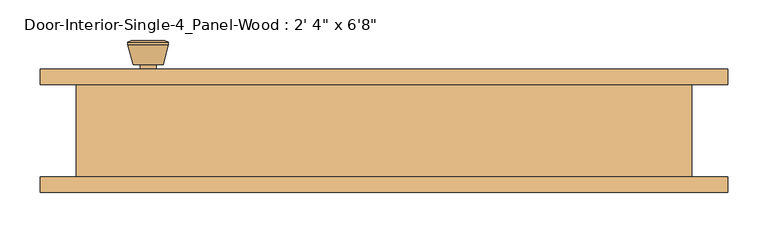
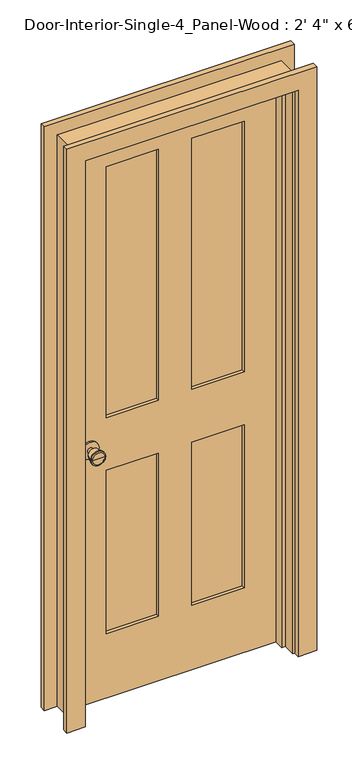
"""IFC4 building model written with IfcOpenShell, lengths in millimetres: door geometry."""

from ifc_helpers import new_model, si_unit, point, frame, frame_2d, origin, place, context, project, spatial, polyline, circle_curve, trimmed, segment, composite_curve, outline, extrude, faceted_brep, source, transform, mapped, element, save
from ifc_brep_helpers import plane_surface, cylinder_surface, revolved_surface, advanced_brep


def door_b1d1bbcd(model_context):
    return source(origin(), model_context, "Body", "SolidModel", [
        advanced_brep(
        [(-292.1, 13.05, 914.4), (-282.1, 13.05, 914.4), (-302.1, 13.05, 914.4), (-271.6241324, -35.95, 914.4), (-292.1, -35.95, 914.4), (-312.5758676, -35.95, 914.4), (-267.1, -34.1221319, 914.4), (-317.1, -34.1221319, 914.4), (-267.1, -30.6584537, 914.4), (-317.1, -30.6584537, 914.4), (-273.463764, -5.95, 914.4), (-310.736236, -5.95, 914.4), (-282.1, -5.95, 914.4), (-302.1, -5.95, 914.4)],
        [
            (0, 1),
            (1, 2, circle_curve(frame((-292.1, 13.05, 914.4), z_axis=(0.0, 1.0, 0.0), x_axis=(-1.0, 0.0, 0.0)), 10.0)),
            (2, 0),
            (2, 1, circle_curve(frame((-292.1, 13.05, 914.4), z_axis=(0.0, 1.0, 0.0), x_axis=(-1.0, 0.0, 0.0)), 10.0)),
            (3, 4),
            (4, 5),
            (5, 3, circle_curve(frame((-292.1, -35.95, 914.4), z_axis=(0.0, -1.0, 0.0), x_axis=(-1.0, 0.0, 0.0)), 20.4758676)),
            (3, 5, circle_curve(frame((-292.1, -35.95, 914.4), z_axis=(0.0, -1.0, 0.0), x_axis=(-1.0, 0.0, 0.0)), 20.4758676)),
            (6, 3),
            (5, 7),
            (7, 6, circle_curve(frame((-292.1, -34.1221319, 914.4), z_axis=(0.0, -1.0, 0.0), x_axis=(-1.0, 0.0, 0.0)), 25.0)),
            (6, 7, circle_curve(frame((-292.1, -34.1221319, 914.4), z_axis=(0.0, -1.0, 0.0), x_axis=(-1.0, 0.0, 0.0)), 25.0)),
            (8, 6),
            (7, 9),
            (9, 8, circle_curve(frame((-292.1, -30.6584537, 914.4), z_axis=(0.0, -1.0, 0.0), x_axis=(-1.0, 0.0, 0.0)), 25.0)),
            (8, 9, circle_curve(frame((-292.1, -30.6584537, 914.4), z_axis=(0.0, -1.0, 0.0), x_axis=(-1.0, 0.0, 0.0)), 25.0)),
            (10, 8),
            (9, 11),
            (11, 10, circle_curve(frame((-292.1, -5.95, 914.4), z_axis=(0.0, -1.0, 0.0), x_axis=(-1.0, 0.0, 0.0)), 18.636236)),
            (10, 11, circle_curve(frame((-292.1, -5.95, 914.4), z_axis=(0.0, -1.0, 0.0), x_axis=(-1.0, 0.0, 0.0)), 18.636236)),
            (12, 10),
            (11, 13),
            (13, 12, circle_curve(frame((-292.1, -5.95, 914.4), z_axis=(0.0, -1.0, 0.0), x_axis=(-1.0, 0.0, 0.0)), 10.0)),
            (12, 13, circle_curve(frame((-292.1, -5.95, 914.4), z_axis=(0.0, -1.0, 0.0), x_axis=(-1.0, 0.0, 0.0)), 10.0)),
            (1, 12),
            (13, 2),
        ],
        [
            plane_surface(frame((-292.1, 13.05, 914.4), z_axis=(0.0, 1.0, 0.0), x_axis=(-1.0, 0.0, 0.0))),
            plane_surface(frame((-292.1, -35.95, 914.4), z_axis=(0.0, -1.0, 0.0), x_axis=(-1.0, 0.0, 0.0))),
            revolved_surface(polyline([(-312.5758676, -35.95, 914.4), (-317.1, -34.1221319, 914.4)]), (-292.1, 13.05, 914.4), (0.0, 1.0, 0.0)),
            cylinder_surface(frame((-292.1, 13.05, 914.4), z_axis=(0.0, 1.0, 0.0), x_axis=(-1.0, 0.0, 0.0)), 25.0),
            revolved_surface(polyline([(-317.1, -30.6584537, 914.4), (-310.736236, -5.95, 914.4)]), (-292.1, 13.05, 914.4), (0.0, 1.0, 0.0)),
            plane_surface(frame((-292.1, -5.95, 914.4), z_axis=(0.0, 1.0, 0.0), x_axis=(-1.0, 0.0, 0.0))),
            cylinder_surface(frame((-292.1, 13.05, 914.4), z_axis=(0.0, 1.0, 0.0), x_axis=(-1.0, 0.0, 0.0)), 10.0),
        ],
        [
            (0, [[1, 2, 3]]),
            (0, [[-3, 4, -1]]),
            (1, [[5, 6, 7]]),
            (1, [[-6, -5, 8]]),
            (2, [[9, -7, 10, 11]]),
            (2, [[-10, -8, -9, 12]]),
            (3, [[13, -11, 14, 15]]),
            (3, [[-14, -12, -13, 16]]),
            (4, [[17, -15, 18, 19]]),
            (4, [[-18, -16, -17, 20]]),
            (5, [[21, -19, 22, 23]]),
            (5, [[-22, -20, -21, 24]]),
            (6, [[25, -23, 26, -2]]),
            (6, [[-26, -24, -25, -4]]),
        ],
    ),
        extrude(outline(composite_curve([segment(trimmed(circle_curve(frame_2d((914.4, -292.1)), 30.0), [point((914.4, -322.1))], [point((914.4, -262.1))], False, "CARTESIAN"), True, "CONTINUOUS"), segment(trimmed(circle_curve(frame_2d((914.4, -292.1)), 30.0), [point((914.4, -262.1))], [point((914.4, -322.1))], False, "CARTESIAN"), True, "CONTINUOUS")], self_intersect=False)), frame((0.0, 13.05, 0.0), z_axis=(0.0, 1.0, 0.0), x_axis=(0.0, 0.0, 1.0)), (0.0, 0.0, 1.0), 6.0),
        advanced_brep(
        [(-292.1, 59.975, 914.4), (-302.1, 59.975, 914.4), (-282.1, 59.975, 914.4), (-271.6241324, 108.975, 914.4), (-312.5758676, 108.975, 914.4), (-292.1, 108.975, 914.4), (-267.1, 107.1471319, 914.4), (-317.1, 107.1471319, 914.4), (-267.1, 103.6834537, 914.4), (-317.1, 103.6834537, 914.4), (-273.463764, 78.975, 914.4), (-310.736236, 78.975, 914.4), (-282.1, 78.975, 914.4), (-302.1, 78.975, 914.4)],
        [
            (0, 1),
            (1, 2, circle_curve(frame((-292.1, 59.975, 914.4), z_axis=(0.0, -1.0, 0.0), x_axis=(-1.0, 0.0, 0.0)), 10.0)),
            (2, 0),
            (2, 1, circle_curve(frame((-292.1, 59.975, 914.4), z_axis=(0.0, -1.0, 0.0), x_axis=(-1.0, 0.0, 0.0)), 10.0)),
            (3, 4, circle_curve(frame((-292.1, 108.975, 914.4), z_axis=(0.0, 1.0, 0.0), x_axis=(-1.0, 0.0, 0.0)), 20.4758676)),
            (4, 5),
            (5, 3),
            (4, 3, circle_curve(frame((-292.1, 108.975, 914.4), z_axis=(0.0, 1.0, 0.0), x_axis=(-1.0, 0.0, 0.0)), 20.4758676)),
            (6, 7, circle_curve(frame((-292.1, 107.1471319, 914.4), z_axis=(0.0, 1.0, 0.0), x_axis=(-1.0, 0.0, 0.0)), 25.0)),
            (7, 4),
            (3, 6),
            (7, 6, circle_curve(frame((-292.1, 107.1471319, 914.4), z_axis=(0.0, 1.0, 0.0), x_axis=(-1.0, 0.0, 0.0)), 25.0)),
            (8, 9, circle_curve(frame((-292.1, 103.6834537, 914.4), z_axis=(0.0, 1.0, 0.0), x_axis=(-1.0, 0.0, 0.0)), 25.0)),
            (9, 7),
            (6, 8),
            (9, 8, circle_curve(frame((-292.1, 103.6834537, 914.4), z_axis=(0.0, 1.0, 0.0), x_axis=(-1.0, 0.0, 0.0)), 25.0)),
            (10, 11, circle_curve(frame((-292.1, 78.975, 914.4), z_axis=(0.0, 1.0, 0.0), x_axis=(-1.0, 0.0, 0.0)), 18.636236)),
            (11, 9),
            (8, 10),
            (11, 10, circle_curve(frame((-292.1, 78.975, 914.4), z_axis=(0.0, 1.0, 0.0), x_axis=(-1.0, 0.0, 0.0)), 18.636236)),
            (12, 13, circle_curve(frame((-292.1, 78.975, 914.4), z_axis=(0.0, 1.0, 0.0), x_axis=(-1.0, 0.0, 0.0)), 10.0)),
            (13, 11),
            (10, 12),
            (13, 12, circle_curve(frame((-292.1, 78.975, 914.4), z_axis=(0.0, 1.0, 0.0), x_axis=(-1.0, 0.0, 0.0)), 10.0)),
            (1, 13),
            (12, 2),
        ],
        [
            plane_surface(frame((-292.1, 59.975, 914.4), z_axis=(0.0, -1.0, 0.0), x_axis=(-1.0, 0.0, 0.0))),
            plane_surface(frame((-292.1, 108.975, 914.4), z_axis=(0.0, 1.0, 0.0), x_axis=(-1.0, 0.0, 0.0))),
            revolved_surface(polyline([(-312.5758676, 108.975, 914.4), (-317.1, 107.1471319, 914.4)]), (-292.1, 59.975, 914.4), (0.0, -1.0, 0.0)),
            cylinder_surface(frame((-292.1, 59.975, 914.4), z_axis=(0.0, -1.0, 0.0), x_axis=(-1.0, 0.0, 0.0)), 25.0),
            revolved_surface(polyline([(-317.1, 103.6834537, 914.4), (-310.736236, 78.975, 914.4)]), (-292.1, 59.975, 914.4), (0.0, -1.0, 0.0)),
            plane_surface(frame((-292.1, 78.975, 914.4), z_axis=(0.0, -1.0, 0.0), x_axis=(-1.0, 0.0, 0.0))),
            cylinder_surface(frame((-292.1, 59.975, 914.4), z_axis=(0.0, -1.0, 0.0), x_axis=(-1.0, 0.0, 0.0)), 10.0),
        ],
        [
            (0, [[1, 2, 3]]),
            (0, [[-3, 4, -1]]),
            (1, [[5, 6, 7]]),
            (1, [[8, -7, -6]]),
            (2, [[9, 10, -5, 11]]),
            (2, [[12, -11, -8, -10]]),
            (3, [[13, 14, -9, 15]]),
            (3, [[16, -15, -12, -14]]),
            (4, [[17, 18, -13, 19]]),
            (4, [[20, -19, -16, -18]]),
            (5, [[21, 22, -17, 23]]),
            (5, [[24, -23, -20, -22]]),
            (6, [[-2, 25, -21, 26]]),
            (6, [[-4, -26, -24, -25]]),
        ],
    ),
        extrude(outline(composite_curve([segment(trimmed(circle_curve(frame_2d((914.4, -292.1)), 30.0), [point((914.4, -322.1))], [point((914.4, -262.1))], False, "CARTESIAN"), True, "CONTINUOUS"), segment(trimmed(circle_curve(frame_2d((914.4, -292.1)), 30.0), [point((914.4, -262.1))], [point((914.4, -322.1))], False, "CARTESIAN"), True, "CONTINUOUS")], self_intersect=False)), frame((0.0, 53.975, 0.0), z_axis=(0.0, 1.0, 0.0), x_axis=(0.0, 0.0, 1.0)), (0.0, 0.0, 1.0), 6.0),
        extrude(outline(polyline([(234.95, 30.6916667), (57.15, 30.6916667), (57.15, 42.3333333), (234.95, 42.3333333), (234.95, 30.6916667)])), frame((0.0, 0.0, 1009.65), z_axis=(0.0, 0.0, 1.0), x_axis=(1.0, 0.0, 0.0)), (0.0, 0.0, 1.0), 903.2875),
        extrude(outline(polyline([(-57.15, 30.6916667), (-234.95, 30.6916667), (-234.95, 42.3333333), (-57.15, 42.3333333), (-57.15, 30.6916667)])), frame((0.0, 0.0, 1009.65), z_axis=(0.0, 0.0, 1.0), x_axis=(1.0, 0.0, 0.0)), (0.0, 0.0, 1.0), 903.2875),
        extrude(outline(polyline([(234.95, 30.6916667), (57.15, 30.6916667), (57.15, 42.3333333), (234.95, 42.3333333), (234.95, 30.6916667)])), frame((0.0, 0.0, 231.775), z_axis=(0.0, 0.0, 1.0), x_axis=(1.0, 0.0, 0.0)), (0.0, 0.0, 1.0), 587.375),
        extrude(outline(polyline([(-57.15, 30.6916667), (-234.95, 30.6916667), (-234.95, 42.3333333), (-57.15, 42.3333333), (-57.15, 30.6916667)])), frame((0.0, 0.0, 231.775), z_axis=(0.0, 0.0, 1.0), x_axis=(1.0, 0.0, 0.0)), (0.0, 0.0, 1.0), 587.375),
        extrude(outline(polyline([(2032.0, -355.6), (0.0, -355.6), (0.0, 355.6), (2032.0, 355.6), (2032.0, -355.6)]), holes=[polyline([(1912.9375, 57.15), (1912.9375, 234.95), (1009.65, 234.95), (1009.65, 57.15), (1912.9375, 57.15)]), polyline([(1009.65, -57.15), (1009.65, -234.95), (1912.9375, -234.95), (1912.9375, -57.15), (1009.65, -57.15)]), polyline([(819.15, 57.15), (819.15, 234.95), (231.775, 234.95), (231.775, 57.15), (819.15, 57.15)]), polyline([(231.775, -57.15), (231.775, -234.95), (819.15, -234.95), (819.15, -57.15), (231.775, -57.15)])]), frame((0.0, 19.05, 0.0), z_axis=(0.0, 1.0, 0.0), x_axis=(0.0, 0.0, 1.0)), (0.0, 0.0, 1.0), 34.925),
        faceted_brep([(381.0, 53.975, 0.0), (381.0, -60.325, 0.0), (355.6, -60.325, 0.0), (355.6, -15.875, 0.0), (342.9, -15.875, 0.0), (342.9, 19.05, 0.0), (355.6, 19.05, 0.0), (355.6, 53.975, 0.0), (381.0, 53.975, 2057.4), (381.0, -60.325, 2057.4), (-381.0, -60.325, 2057.4), (-381.0, -60.325, 0.0), (-355.6, -60.325, 0.0), (-355.6, -60.325, 2032.0), (355.6, -60.325, 2032.0), (355.6, -15.875, 2032.0), (-355.6, -15.875, 2032.0), (-355.6, -15.875, 0.0), (-342.9, -15.875, 0.0), (-342.9, -15.875, 2019.3), (342.9, -15.875, 2019.3), (342.9, 19.05, 2019.3), (-342.9, 19.05, 2019.3), (-342.9, 19.05, 0.0), (-355.6, 19.05, 0.0), (-355.6, 19.05, 2032.0), (355.6, 19.05, 2032.0), (355.6, 53.975, 2032.0), (-355.6, 53.975, 2032.0), (-355.6, 53.975, 0.0), (-381.0, 53.975, 0.0), (-381.0, 53.975, 2057.4)], [[[0, 1, 2, 3, 4, 5, 6, 7]], [[1, 0, 8, 9]], [[2, 1, 9, 10, 11, 12, 13, 14]], [[3, 2, 14, 15]], [[4, 3, 15, 16, 17, 18, 19, 20]], [[5, 4, 20, 21]], [[6, 5, 21, 22, 23, 24, 25, 26]], [[7, 6, 26, 27]], [[0, 7, 27, 28, 29, 30, 31, 8]], [[9, 8, 31, 10]], [[15, 14, 13, 16]], [[21, 20, 19, 22]], [[27, 26, 25, 28]], [[30, 29, 24, 23, 18, 17, 12, 11]], [[10, 31, 30, 11]], [[16, 13, 12, 17]], [[22, 19, 18, 23]], [[28, 25, 24, 29]]]),
        extrude(outline(polyline([(0.0, 361.95), (0.0, 425.45), (2101.85, 425.45), (2101.85, -425.45), (0.0, -425.45), (0.0, -361.95), (2038.35, -361.95), (2038.35, 361.95), (0.0, 361.95)])), frame((0.0, -79.375, 0.0), z_axis=(0.0, 1.0, 0.0), x_axis=(0.0, 0.0, 1.0)), (0.0, 0.0, 1.0), 19.05),
        extrude(outline(polyline([(0.0, 361.95), (0.0, 425.45), (2101.85, 425.45), (2101.85, -425.45), (0.0, -425.45), (0.0, -361.95), (2038.35, -361.95), (2038.35, 361.95), (0.0, 361.95)])), frame((0.0, 53.975, 0.0), z_axis=(0.0, 1.0, 0.0), x_axis=(0.0, 0.0, 1.0)), (0.0, 0.0, 1.0), 19.05),
    ])


if __name__ == "__main__":
    model = new_model("IFC4")
    model_context = context("Model", 3, world=origin())
    ifc_project = project(units=[si_unit("LENGTHUNIT", "METRE", prefix="MILLI")], contexts=[model_context])
    site = spatial("IfcSite", under=ifc_project)
    building = spatial("IfcBuilding", under=site)
    placement = place(None, origin())
    door_shape = door_b1d1bbcd(model_context)
    element("IfcDoor", 1, ObjectType="Door-Interior-Single-4_Panel-Wood : 2' 4\" x 6'8\"", at=placement, inside=building, context=model_context, shape_type="MappedRepresentation", body=[
        mapped(door_shape, transform((0.0, 0.0, 0.0), x_axis=(1.0, 0.0, 0.0), y_axis=(0.0, 1.0, 0.0), z_axis=(0.0, 0.0, 1.0))),
    ])
    save(model, "model.ifc")
